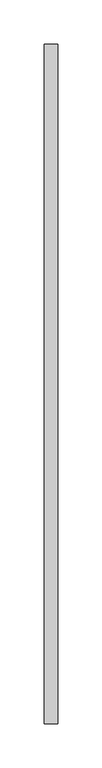
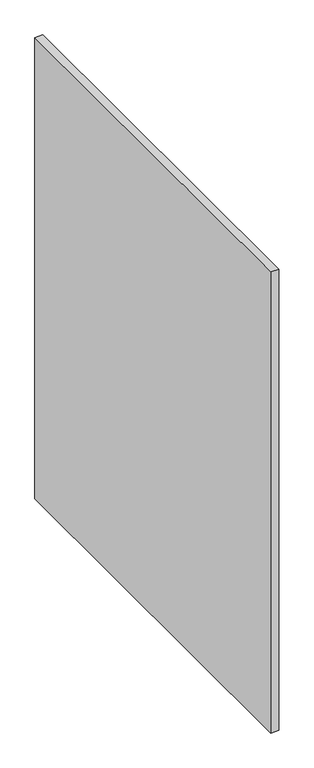
"""IFC4 building model written with IfcOpenShell, lengths in millimetres: proxy geometry."""

from ifc_helpers import new_model, si_unit, frame, origin, place, context, project, spatial, polyline, outline, extrude, source, transform, mapped, element, save


def generic_models_e9beaf48(model_context):
    return source(origin(), model_context, "Body", "SweptSolid", [
        extrude(outline(polyline([(37244.6926168, -23739.0689205), (37229.7066168, -23739.0689205), (37229.7066168, -22973.3524584), (37244.6926168, -22973.3524584), (37244.6926168, -23739.0689205)])), frame((0.0, 0.0, 1524.0), z_axis=(0.0, 0.0, 1.0), x_axis=(1.0, 0.0, 0.0)), (0.0, 0.0, 1.0), 914.4),
    ])


if __name__ == "__main__":
    model = new_model("IFC4")
    model_context = context("Model", 3, world=origin())
    ifc_project = project(units=[si_unit("LENGTHUNIT", "METRE", prefix="MILLI")], contexts=[model_context])
    site = spatial("IfcSite", under=ifc_project)
    building = spatial("IfcBuilding", under=site)
    placement = place(None, origin())
    generic_models_shape = generic_models_e9beaf48(model_context)
    element("IfcBuildingElementProxy", 1, Name="Generic Models", at=placement, inside=building, context=model_context, shape_type="MappedRepresentation", body=[
        mapped(generic_models_shape, transform((0.0, 0.0, 0.0), x_axis=(1.0, 0.0, 0.0), y_axis=(0.0, 1.0, 0.0), z_axis=(0.0, 0.0, 1.0))),
    ])
    save(model, "model.ifc")
